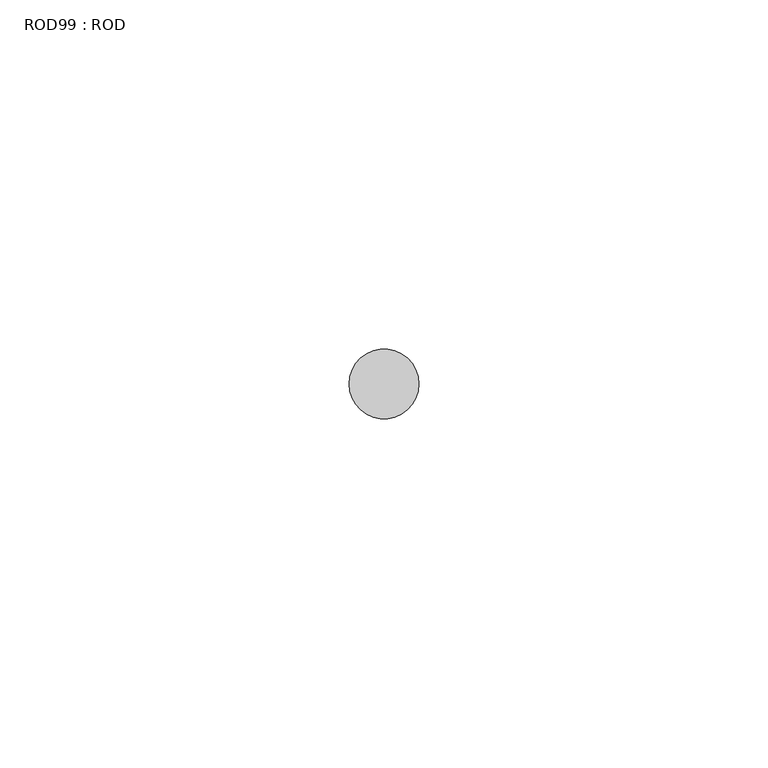
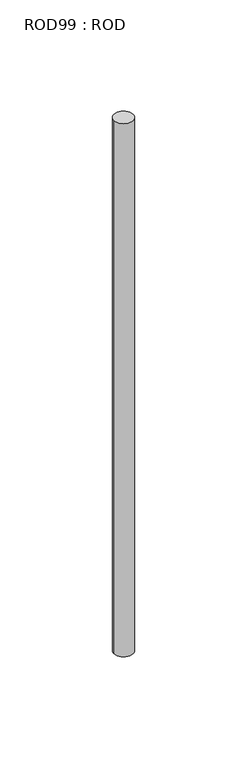
"""IFC4 building model written with IfcOpenShell, lengths in millimetres: proxy geometry, ROD99 : ROD."""

from ifc_helpers import new_model, si_unit, point, frame, frame_2d, origin, place, context, project, spatial, circle_curve, trimmed, segment, composite_curve, outline, extrude, source, transform, mapped, element, save


def rod99_rod_9580a84d(model_context):
    return source(origin(), model_context, "Body", "SweptSolid", [
        extrude(outline(composite_curve([segment(trimmed(circle_curve(frame_2d((-2047.2215616, -12414.6300853)), 5.0), [point((-2052.2215616, -12414.6300853))], [point((-2042.2215616, -12414.6300853))], False, "CARTESIAN"), True, "CONTINUOUS"), segment(trimmed(circle_curve(frame_2d((-2047.2215616, -12414.6300853)), 5.0), [point((-2042.2215616, -12414.6300853))], [point((-2052.2215616, -12414.6300853))], False, "CARTESIAN"), True, "CONTINUOUS")], self_intersect=False)), frame((0.0, 0.0, -208.6608845), z_axis=(0.0, 0.0, 1.0), x_axis=(1.0, 0.0, 0.0)), (0.0, 0.0, 1.0), 298.9028972),
    ])


if __name__ == "__main__":
    model = new_model("IFC4")
    model_context = context("Model", 3, world=origin())
    ifc_project = project(units=[si_unit("LENGTHUNIT", "METRE", prefix="MILLI")], contexts=[model_context])
    site = spatial("IfcSite", under=ifc_project)
    building = spatial("IfcBuilding", under=site)
    placement = place(None, origin())
    rod99_rod_shape = rod99_rod_9580a84d(model_context)
    element("IfcBuildingElementProxy", 1, Name="ROD99 : ROD", ObjectType="ROD99 : ROD", at=placement, inside=building, context=model_context, shape_type="MappedRepresentation", body=[
        mapped(rod99_rod_shape, transform((0.0, 0.0, 0.0), x_axis=(1.0, 0.0, 0.0), y_axis=(0.0, 1.0, 0.0), z_axis=(0.0, 0.0, 1.0))),
    ])
    save(model, "model.ifc")
